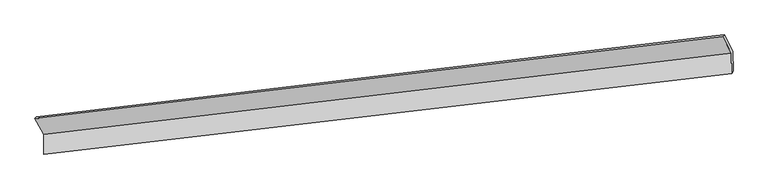
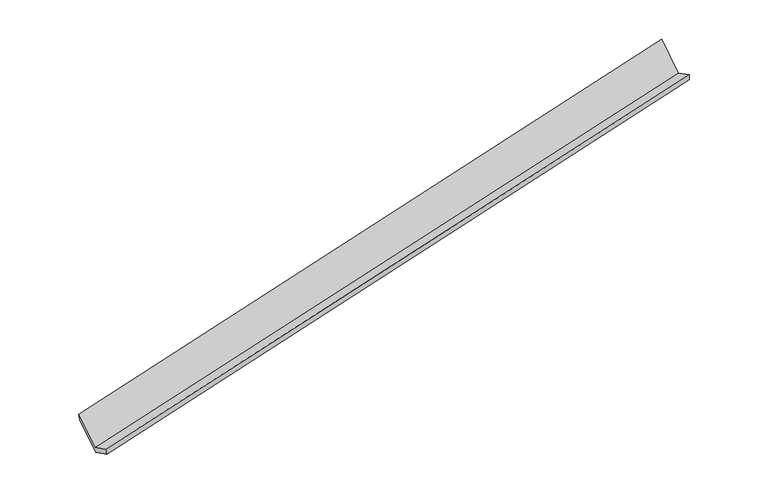
"""IFC4 building model written with IfcOpenShell, lengths in millimetres: proxy geometry."""

from ifc_helpers import new_model, si_unit, frame, origin, place, context, project, spatial, source, transform, mapped, element, save
from ifc_brep_helpers import plane_surface, spline_surface, advanced_brep


def generic_models_fed7c279(model_context):
    return source(origin(), model_context, "Body", "AdvancedBrep", [
        advanced_brep(
        [(-9756.90679, -2319.3531363, 256.9449131), (-9752.4551897, -2717.5650471, 457.8812185), (4125.8085784, -1087.4068242, 3392.1355706), (4121.2072801, -675.8038844, 3184.4421999), (-9724.0329901, -2696.5636259, 313.229451), (4153.9313821, -1039.6233449, 3233.9696724), (-9728.6200192, -2286.2371138, 106.1801612), (4149.344353, -629.2968328, 3026.9203826), (-9900.9476799, -1970.2002024, 736.3141532), (3972.2674316, -304.5501086, 3674.4205395), (-9932.596164, -1997.1510772, 899.371359), (3940.7686455, -344.8920125, 3844.2348107)],
        [
            (0, 1),
            (1, 2),
            (2, 3),
            (3, 0),
            (1, 4),
            (4, 5),
            (5, 2),
            (4, 6),
            (6, 7),
            (7, 5),
            (6, 8),
            (8, 9),
            (9, 7),
            (8, 10),
            (10, 11),
            (11, 9),
            (10, 0),
            (3, 11),
        ],
        [
            plane_surface(frame((-9754.6809898, -2518.4590917, 357.4130658), z_axis=(-0.2348894356688767, 0.4357953934770279, 0.8688551824299369), x_axis=(0.009979863749854604, -0.8927352688825375, 0.4504710223896291))),
            spline_surface(1, 1, [[(-9752.4551897, -2717.5650471, 457.8812185), (4125.8085784, -1087.4068242, 3392.1355706)], [(-9724.0329901, -2696.5636259, 313.229451), (4153.9313821, -1039.6233449, 3233.9696724)]], [2, 2], [2, 2], [0.0, 1.0], [0.0, 1.0]),
            plane_surface(frame((-9726.3265046, -2491.4003698, 209.7048061), z_axis=(0.23488943566887788, -0.4357953934770561, -0.8688551824299227), x_axis=(-0.009979863749854479, 0.892735268882523, -0.45047102238965814))),
            plane_surface(frame((-9814.7838495, -2128.2186581, 421.2471572), z_axis=(-0.01168057379562941, 0.8925314341102024, -0.4508338977062287), x_axis=(-0.23746303272214214, 0.4354906410226156, 0.8683082457699651))),
            spline_surface(1, 1, [[(-9900.9476799, -1970.2002024, 736.3141532), (3972.2674316, -304.5501086, 3674.4205395)], [(-9932.596164, -1997.1510772, 899.371359), (3940.7686455, -344.8920125, 3844.2348107)]], [2, 2], [2, 2], [0.0, 1.0], [0.0, 1.0]),
            plane_surface(frame((-9844.751477, -2158.2521068, 578.1581361), z_axis=(0.010660152315451393, -0.8926540632856897, 0.4506163384212332), x_axis=(0.23746303272214536, -0.43549064102260754, -0.8683082457699683))),
            plane_surface(frame((4077.2212784, -680.2621679, 3392.6871959), z_axis=(0.9713453095629474, 0.11563581311563731, 0.2076454871051798), x_axis=(-0.17759814095592594, -0.22745788004524575, 0.957455906626682))),
            plane_surface(frame((-9799.2598055, -2331.1783671, 461.6535427), z_axis=(-0.9713453095629484, -0.11563581311564404, -0.20764548710517158), x_axis=(-0.2374630327221412, 0.4354906410226215, 0.8683082457699625))),
        ],
        [
            (0, [[1, 2, 3, 4]]),
            (1, [[5, 6, 7, -2]]),
            (2, [[8, 9, 10, -6]]),
            (3, [[11, 12, 13, -9]]),
            (4, [[14, 15, 16, -12]]),
            (5, [[17, -4, 18, -15]]),
            (6, [[-16, -18, -3, -7, -10, -13]]),
            (7, [[-17, -14, -11, -8, -5, -1]]),
        ],
    ),
    ])


if __name__ == "__main__":
    model = new_model("IFC4")
    model_context = context("Model", 3, world=origin())
    ifc_project = project(units=[si_unit("LENGTHUNIT", "METRE", prefix="MILLI")], contexts=[model_context])
    site = spatial("IfcSite", under=ifc_project)
    building = spatial("IfcBuilding", under=site)
    placement = place(None, origin())
    generic_models_shape = generic_models_fed7c279(model_context)
    element("IfcBuildingElementProxy", 1, Name="Generic Models", at=placement, inside=building, context=model_context, shape_type="MappedRepresentation", body=[
        mapped(generic_models_shape, transform((0.0, 0.0, 0.0), x_axis=(1.0, 0.0, 0.0), y_axis=(0.0, 1.0, 0.0), z_axis=(0.0, 0.0, 1.0))),
    ])
    save(model, "model.ifc")
